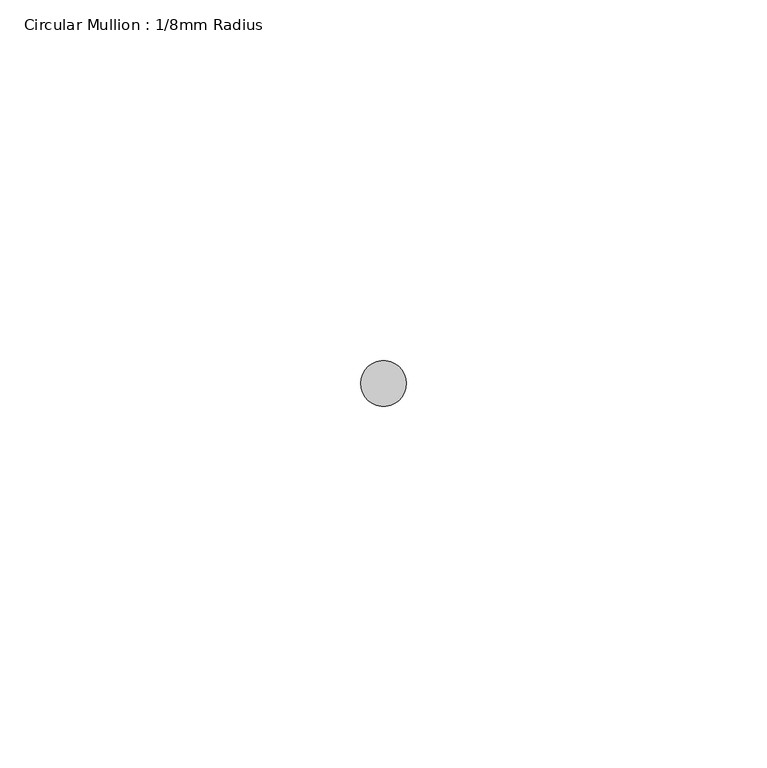
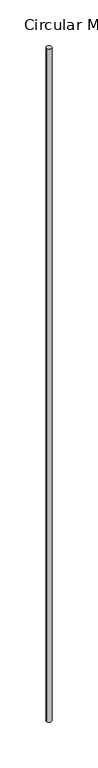
"""IFC4 building model written with IfcOpenShell, lengths in millimetres: member geometry, Circular Mullion : 1/8mm Radius."""

import ifcopenshell
import ifcopenshell.guid

model = None  # the IFC model being written
_history = None  # IfcOwnerHistory: only IFC2X3 demands one
_inside = {}  # id of a spatial element -> (the spatial element, [elements in it])
_under = {}  # id of a project, library or spatial element -> (it, [spatial elements below it])
_declared = {}  # id of a project -> (the project, [libraries it declares])
_typed = {}  # id of a type object -> (the type object, [elements of that type])
_made_of = {}  # id of a material, layer set ... -> (it, [elements and type objects made of it])


def new_model(schema):
    """Start an empty IFC model of exactly this schema.

    Asked for "IFC4X3", IfcOpenShell would pick the latest addendum, in which some entities
    have other attributes; the version numbers below select the first issue.
    IFC2X3 requires an IfcOwnerHistory on every rooted entity: one is made here for all.
    """
    global model, _history
    if schema == "IFC4X3":
        model = ifcopenshell.file(schema_version=(4, 3, 0, 0))
    else:
        model = ifcopenshell.file(schema=schema)
    _inside.clear()
    _under.clear()
    _declared.clear()
    _typed.clear()
    _made_of.clear()
    _history = None
    if model.schema == "IFC2X3":
        org = make("IfcOrganization", Name="unknown")
        user = make(
            "IfcPersonAndOrganization",
            ThePerson=make("IfcPerson", FamilyName="unknown"),
            TheOrganization=org,
        )
        app = make(
            "IfcApplication",
            ApplicationDeveloper=org,
            Version="unknown",
            ApplicationFullName="unknown",
            ApplicationIdentifier="unknown",
        )
        _history = make(
            "IfcOwnerHistory",
            OwningUser=user,
            OwningApplication=app,
            ChangeAction="ADDED",
            CreationDate=0,
        )
    return model


def make(cls, **values):
    """One entity of the class cls with the attributes given. An attribute that is None is left unset."""
    return model.create_entity(
        cls, **{name: value for name, value in values.items() if value is not None}
    )


def rooted(cls, **values):
    """An entity with a GlobalId (a new one), such as an element, a storey or a relation."""
    return make(cls, GlobalId=ifcopenshell.guid.new(), OwnerHistory=_history, **values)


def si_unit(unit_type, name, prefix=None):
    """IfcSIUnit, for example si_unit("LENGTHUNIT", "METRE", prefix="MILLI")."""
    return make("IfcSIUnit", UnitType=unit_type, Prefix=prefix, Name=name)


def assignment(units):
    """IfcUnitAssignment: the units of a project."""
    return None if units is None else make("IfcUnitAssignment", Units=units)


def point(xyz):
    """IfcCartesianPoint."""
    return None if xyz is None else make("IfcCartesianPoint", Coordinates=xyz)


def direction(xyz):
    """IfcDirection."""
    return None if xyz is None else make("IfcDirection", DirectionRatios=xyz)


def frame(location, z_axis=None, x_axis=None):
    """IfcAxis2Placement3D, a coordinate frame: its origin and axes. An axis left out is left unset."""
    return make(
        "IfcAxis2Placement3D",
        Location=point(location),
        Axis=direction(z_axis),
        RefDirection=direction(x_axis),
    )


def frame_2d(location, x_axis=None):
    """IfcAxis2Placement2D, a coordinate frame in the plane: its origin and x axis."""
    return make(
        "IfcAxis2Placement2D", Location=point(location), RefDirection=direction(x_axis)
    )


def origin():
    """The frame at (0, 0, 0) with its axes left unset."""
    return frame((0.0, 0.0, 0.0))


def origin_2d():
    """The frame at (0, 0) in the plane with its x axis left unset."""
    return frame_2d((0.0, 0.0))


def place(relative_to, where):
    """IfcLocalPlacement: puts the frame where relative to a parent placement (None: the world)."""
    return make(
        "IfcLocalPlacement", PlacementRelTo=relative_to, RelativePlacement=where
    )


def context(
    kind, dimensions, precision=None, world=None, true_north=None, identifier=None
):
    """IfcGeometricRepresentationContext, for example the 3D "Model" context."""
    return make(
        "IfcGeometricRepresentationContext",
        ContextIdentifier=identifier,
        ContextType=kind,
        CoordinateSpaceDimension=dimensions,
        Precision=precision,
        WorldCoordinateSystem=world,
        TrueNorth=true_north,
    )


def project(units=None, contexts=None):
    """IfcProject with its units and contexts."""
    return rooted(
        "IfcProject",
        Name="project",
        RepresentationContexts=contexts,
        UnitsInContext=assignment(units),
    )


def spatial(cls, under=None, at=None, **own):
    """A site, building, storey or space (cls), placed at a placement, below another one or the project."""
    s = rooted(cls, ObjectPlacement=at, **own)
    if under is not None:
        _under.setdefault(under.id(), (under, []))[1].append(s)
    return s


def circle_curve(where, radius):
    """IfcCircle in the frame where."""
    return make("IfcCircle", Position=where, Radius=radius)


def trimmed(basis, trim1, trim2, sense, master):
    """IfcTrimmedCurve: the piece of a basis curve between two trims."""
    return make(
        "IfcTrimmedCurve",
        BasisCurve=basis,
        Trim1=trim1,
        Trim2=trim2,
        SenseAgreement=sense,
        MasterRepresentation=master,
    )


def segment(curve, same_sense, transition):
    """IfcCompositeCurveSegment."""
    return make(
        "IfcCompositeCurveSegment",
        Transition=transition,
        SameSense=same_sense,
        ParentCurve=curve,
    )


def composite_curve(segments, self_intersect=None):
    """IfcCompositeCurve: segments joined end to end."""
    return make("IfcCompositeCurve", Segments=segments, SelfIntersect=self_intersect)


def outline(outer, holes=None, kind="AREA"):
    """IfcArbitraryClosedProfileDef: a profile drawn as a closed curve; with holes, ...WithVoids."""
    if holes is None:
        return make("IfcArbitraryClosedProfileDef", ProfileType=kind, OuterCurve=outer)
    return make(
        "IfcArbitraryProfileDefWithVoids",
        ProfileType=kind,
        OuterCurve=outer,
        InnerCurves=holes,
    )


def extrude(swept, where, along, depth):
    """IfcExtrudedAreaSolid: the profile swept, set in the frame where, extruded along a direction by depth."""
    return make(
        "IfcExtrudedAreaSolid",
        SweptArea=swept,
        Position=where,
        ExtrudedDirection=direction(along),
        Depth=depth,
    )


def shape(context_of_items, identifier, shape_type, items):
    """IfcShapeRepresentation: the items that make up one representation, for example the "Body"."""
    return make(
        "IfcShapeRepresentation",
        ContextOfItems=context_of_items,
        RepresentationIdentifier=identifier,
        RepresentationType=shape_type,
        Items=items,
    )


def source(mapping_origin, context_of_items, identifier, shape_type, items):
    """IfcRepresentationMap: a shape defined once, which mapped items show again and again."""
    return make(
        "IfcRepresentationMap",
        MappingOrigin=mapping_origin,
        MappedRepresentation=shape(context_of_items, identifier, shape_type, items),
    )


def transform(
    local_origin,
    x_axis=None,
    y_axis=None,
    z_axis=None,
    scale=None,
    scale2=None,
    scale3=None,
    uniform=True,
):
    """IfcCartesianTransformationOperator3D, or its non-uniform kind. x_axis, y_axis, z_axis: its Axis1, 2, 3."""
    if uniform:
        return make(
            "IfcCartesianTransformationOperator3D",
            Axis1=direction(x_axis),
            Axis2=direction(y_axis),
            LocalOrigin=point(local_origin),
            Scale=scale,
            Axis3=direction(z_axis),
        )
    return make(
        "IfcCartesianTransformationOperator3DnonUniform",
        Axis1=direction(x_axis),
        Axis2=direction(y_axis),
        LocalOrigin=point(local_origin),
        Scale=scale,
        Axis3=direction(z_axis),
        Scale2=scale2,
        Scale3=scale3,
    )


def mapped(mapping_source, mapping_target):
    """IfcMappedItem: shows the shape of a source again, moved by a transform."""
    return make(
        "IfcMappedItem", MappingSource=mapping_source, MappingTarget=mapping_target
    )


def made_of(thing, what):
    """Note that an element or type object is made of a material, layer set ...; save() writes the relation."""
    if what is not None:
        _made_of.setdefault(what.id(), (what, []))[1].append(thing)
    return thing


def element(
    cls,
    number,
    at=None,
    inside=None,
    cuts=None,
    type_object=None,
    material=None,
    context=None,
    identifier="Body",
    shape_type=None,
    held_by="IfcProductDefinitionShape",
    body=None,
    shapes=None,
    **own,
):
    """One element of the class cls, such as IfcWall. Its Tag is "e" and its number.

    at: its placement. inside: the storey or other place that contains it. cuts: it is an
    opening in that element (IfcRelVoidsElement). A single representation is given by context,
    identifier, shape_type and body (its items); several are given by shapes. held_by: the class
    of the entity that holds the representations. save() writes the other relations.
    """
    e = rooted(cls, Tag="e%d" % number, ObjectPlacement=at, **own)
    if body is not None:
        shapes = [shape(context, identifier, shape_type, body)]
    if shapes is not None:
        e.Representation = make(held_by, Representations=shapes)
    if inside is not None:
        _inside.setdefault(inside.id(), (inside, []))[1].append(e)
    if cuts is not None:
        rooted(
            "IfcRelVoidsElement", RelatingBuildingElement=cuts, RelatedOpeningElement=e
        )
    if type_object is not None:
        _typed.setdefault(type_object.id(), (type_object, []))[1].append(e)
    return made_of(e, material)


def aggregate(whole, parts):
    """IfcRelAggregates: a whole, such as a stair, and the parts it consists of."""
    return rooted("IfcRelAggregates", RelatingObject=whole, RelatedObjects=parts)


def save(model, path):
    """Write the relations noted so far, then the file.

    IfcRelAggregates (storeys below a building ...), IfcRelContainedInSpatialStructure (elements
    in a storey), IfcRelDefinesByType, IfcRelAssociatesMaterial and IfcRelDeclares: one each for
    every whole, place, type object, material and project.
    """
    for whole, parts in _under.values():
        aggregate(whole, parts)
    for where, things in _inside.values():
        rooted(
            "IfcRelContainedInSpatialStructure",
            RelatedElements=things,
            RelatingStructure=where,
        )
    for kind, things in _typed.values():
        rooted("IfcRelDefinesByType", RelatedObjects=things, RelatingType=kind)
    for what, things in _made_of.values():
        rooted("IfcRelAssociatesMaterial", RelatedObjects=things, RelatingMaterial=what)
    for by, libraries in _declared.values():
        rooted("IfcRelDeclares", RelatingContext=by, RelatedDefinitions=libraries)
    model.write(path)


def circular_mullion_1_8mm_radius_24439eff(model_context):
    return source(origin(), model_context, "Body", "SweptSolid", [
        extrude(outline(composite_curve([segment(trimmed(circle_curve(origin_2d(), 3.175), [point((3.175, 0.0))], [point((-3.175, 0.0))], False, "CARTESIAN"), True, "CONTINUOUS"), segment(trimmed(circle_curve(origin_2d(), 3.175), [point((-3.175, 0.0))], [point((3.175, 0.0))], False, "CARTESIAN"), True, "CONTINUOUS")], self_intersect=False)), frame((0.0, 0.0, -908.05), z_axis=(0.0, 0.0, 1.0), x_axis=(1.0, 0.0, 0.0)), (0.0, 0.0, 1.0), 908.05),
    ])


if __name__ == "__main__":
    model = new_model("IFC4")
    model_context = context("Model", 3, world=origin())
    ifc_project = project(units=[si_unit("LENGTHUNIT", "METRE", prefix="MILLI")], contexts=[model_context])
    site = spatial("IfcSite", under=ifc_project)
    building = spatial("IfcBuilding", under=site)
    placement = place(None, origin())
    circular_mullion_1_8mm_radius_shape = circular_mullion_1_8mm_radius_24439eff(model_context)
    element("IfcMember", 1, ObjectType="Circular Mullion : 1/8mm Radius", at=placement, inside=building, context=model_context, shape_type="MappedRepresentation", body=[
        mapped(circular_mullion_1_8mm_radius_shape, transform((0.0, 0.0, 0.0), x_axis=(1.0, 0.0, 0.0), y_axis=(0.0, 1.0, 0.0), z_axis=(0.0, 0.0, 1.0))),
    ])
    save(model, "model.ifc")
